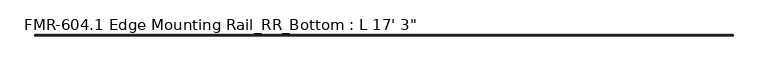
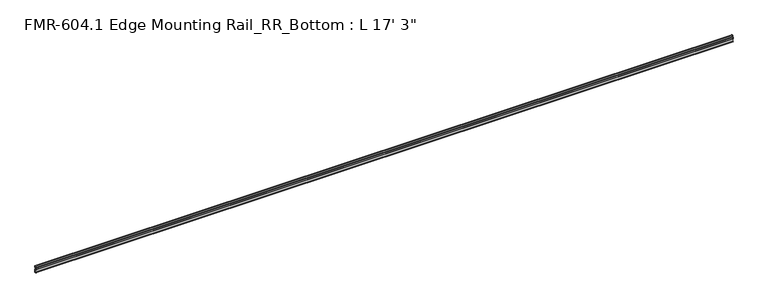
"""IFC4 building model written with IfcOpenShell, lengths in millimetres: proxy geometry."""

from ifc_helpers import new_model, si_unit, point, frame, frame_2d, origin, place, context, project, spatial, polyline, circle_curve, trimmed, segment, composite_curve, outline, extrude, source, transform, mapped, element, save


def proxy_993d1b51(model_context):
    return source(origin(), model_context, "Body", "SweptSolid", [
        extrude(outline(composite_curve([segment(polyline([(-19.05, 16.8792515), (-19.05, 20.0542515), (-17.4625, 20.0542515), (-17.4625, 18.4667515), (-12.7, 18.4667515), (-12.7, 40.6958359), (-18.1143777, 40.6958359)]), True, "CONTINUOUS"), segment(trimmed(circle_curve(frame_2d((-18.1143777, 42.2833359)), 1.5875), [point((-18.1143777, 40.6958359))], [point((-19.7018777, 42.2833359))], False, "CARTESIAN"), True, "CONTINUOUS"), segment(polyline([(-19.7018777, 42.2833359), (-19.7018777, 53.395922)]), True, "CONTINUOUS"), segment(trimmed(circle_curve(frame_2d((-16.5268777, 53.395922)), 3.175), [point((-19.7018777, 53.395922))], [point((-16.5268777, 56.570922))], False, "CARTESIAN"), True, "CONTINUOUS"), segment(polyline([(-16.5268777, 56.570922), (-14.307046, 56.570922), (-12.4982469, 67.1343089)]), True, "CONTINUOUS"), segment(trimmed(circle_curve(frame_2d((-11.3695542, 65.9774674)), 1.6162393), [point((-12.4982469, 67.1343089))], [point((-10.1768777, 67.0682251))], False, "CARTESIAN"), True, "CONTINUOUS"), segment(polyline([(-10.1768777, 67.0682251), (-10.1768777, 58.158422)]), True, "CONTINUOUS"), segment(trimmed(circle_curve(frame_2d((-13.3518777, 58.158422)), 3.175), [point((-10.1768777, 58.158422))], [point((-13.3518777, 54.983422))], False, "CARTESIAN"), True, "CONTINUOUS"), segment(polyline([(-13.3518777, 54.983422), (-16.5268777, 54.983422)]), True, "CONTINUOUS"), segment(trimmed(circle_curve(frame_2d((-16.5268777, 53.395922)), 1.5875), [point((-16.5268777, 54.983422))], [point((-18.1143777, 53.395922))], True, "CARTESIAN"), True, "CONTINUOUS"), segment(polyline([(-18.1143777, 53.395922), (-18.1143777, 50.1086332), (-18.6235415, 49.5018353), (-18.6235415, 47.5853332), (-18.1143777, 46.9336332), (-18.1143777, 43.0783559)]), True, "CONTINUOUS"), segment(trimmed(circle_curve(frame_2d((-17.3193577, 43.0783559)), 0.79502), [point((-18.1143777, 43.0783559))], [point((-17.3193577, 42.2833359))], True, "CARTESIAN"), True, "CONTINUOUS"), segment(polyline([(-17.3193577, 42.2833359), (-11.1125, 42.2833359), (-11.1125, 16.8792515), (-19.05, 16.8792515)]), True, "CONTINUOUS")], self_intersect=False)), frame((-4953.0, 0.0, 0.0), z_axis=(1.0, 0.0, 0.0), x_axis=(0.0, 1.0, 0.0)), (0.0, 0.0, 1.0), 5257.8),
    ])


if __name__ == "__main__":
    model = new_model("IFC4")
    model_context = context("Model", 3, world=origin())
    ifc_project = project(units=[si_unit("LENGTHUNIT", "METRE", prefix="MILLI")], contexts=[model_context])
    site = spatial("IfcSite", under=ifc_project)
    building = spatial("IfcBuilding", under=site)
    placement = place(None, origin())
    proxy_shape = proxy_993d1b51(model_context)
    element("IfcBuildingElementProxy", 1, Name="FMR-604.1 Edge Mounting Rail_RR_Bottom : L 17' 3\"", ObjectType="FMR-604.1 Edge Mounting Rail_RR_Bottom : L 17' 3\"", at=placement, inside=building, context=model_context, shape_type="MappedRepresentation", body=[
        mapped(proxy_shape, transform((0.0, 0.0, 0.0), x_axis=(1.0, 0.0, 0.0), y_axis=(0.0, 1.0, 0.0), z_axis=(0.0, 0.0, 1.0))),
    ])
    save(model, "model.ifc")
